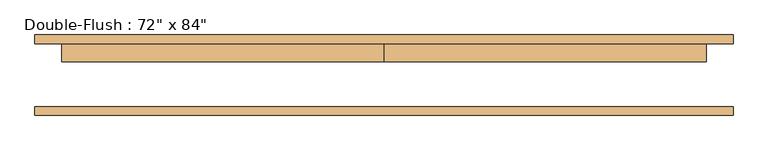
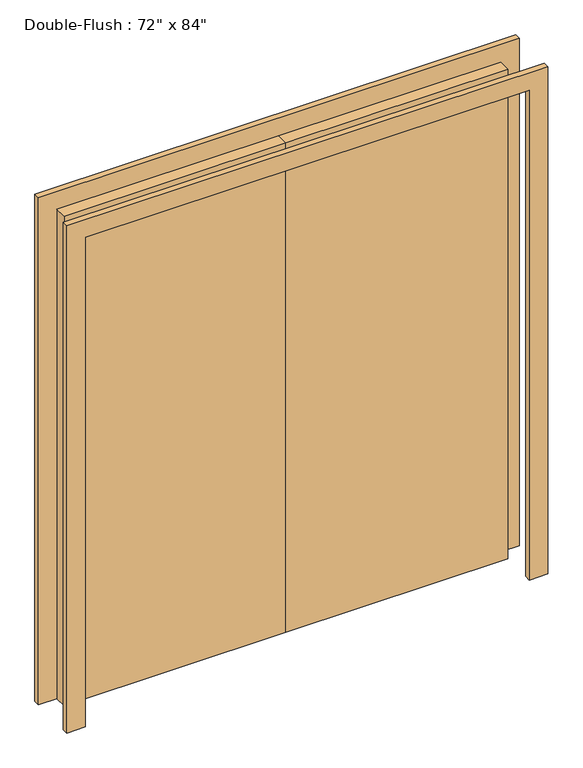
"""IFC4 building model written with IfcOpenShell, lengths in millimetres: door geometry."""

from ifc_helpers import new_model, si_unit, frame, origin, origin_with_axes, place, context, project, spatial, polyline, outline, extrude, source, transform, mapped, element, save


def door_798f09d1(model_context):
    return source(origin(), model_context, "Body", "SweptSolid", [
        extrude(outline(polyline([(0.0, 88.9), (914.4, 88.9), (914.4, 38.1), (0.0, 38.1), (0.0, 88.9)])), origin_with_axes(), (0.0, 0.0, 1.0), 2133.6),
        extrude(outline(polyline([(-914.4, 88.9), (0.0, 88.9), (0.0, 38.1), (-914.4, 38.1), (-914.4, 88.9)])), origin_with_axes(), (0.0, 0.0, 1.0), 2133.6),
        extrude(outline(polyline([(2133.6, -914.4), (2133.6, 914.4), (0.0, 914.4), (0.0, 990.6), (2209.8, 990.6), (2209.8, -990.6), (0.0, -990.6), (0.0, -914.4), (2133.6, -914.4)])), frame((0.0, -114.3, 0.0), z_axis=(0.0, 1.0, 0.0), x_axis=(0.0, 0.0, 1.0)), (0.0, 0.0, 1.0), 25.4),
        extrude(outline(polyline([(2133.6, -914.4), (2133.6, 914.4), (0.0, 914.4), (0.0, 990.6), (2209.8, 990.6), (2209.8, -990.6), (0.0, -990.6), (0.0, -914.4), (2133.6, -914.4)])), frame((0.0, 88.9, 0.0), z_axis=(0.0, 1.0, 0.0), x_axis=(0.0, 0.0, 1.0)), (0.0, 0.0, 1.0), 25.4),
    ])


if __name__ == "__main__":
    model = new_model("IFC4")
    model_context = context("Model", 3, world=origin())
    ifc_project = project(units=[si_unit("LENGTHUNIT", "METRE", prefix="MILLI")], contexts=[model_context])
    site = spatial("IfcSite", under=ifc_project)
    building = spatial("IfcBuilding", under=site)
    placement = place(None, origin())
    door_shape = door_798f09d1(model_context)
    element("IfcDoor", 1, ObjectType="Double-Flush : 72\" x 84\"", at=placement, inside=building, context=model_context, shape_type="MappedRepresentation", body=[
        mapped(door_shape, transform((0.0, 0.0, 0.0), x_axis=(1.0, 0.0, 0.0), y_axis=(0.0, 1.0, 0.0), z_axis=(0.0, 0.0, 1.0))),
    ])
    save(model, "model.ifc")
